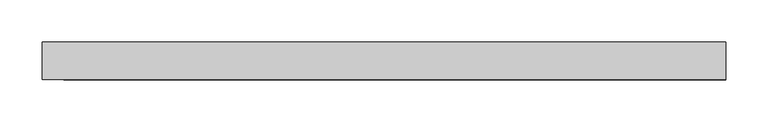
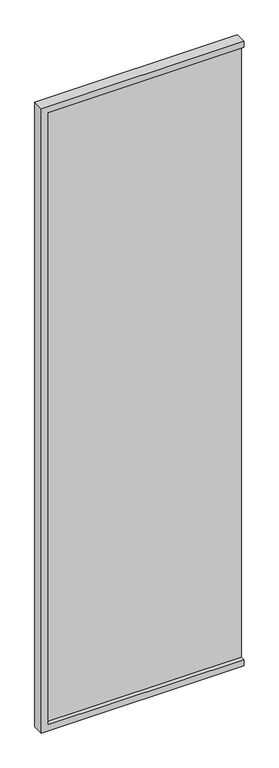
"""IFC4 building model written with IfcOpenShell, lengths in millimetres: plate geometry."""

from ifc_helpers import new_model, si_unit, frame, origin, place, context, project, spatial, polyline, outline, extrude, faceted_brep, source, transform, mapped, element, save


def plate_17708e49(model_context):
    return source(origin(), model_context, "Body", "SolidModel", [
        extrude(outline(polyline([(406.5, 4.0), (406.5, -4.0), (-390.5, -4.0), (-390.5, 4.0), (406.5, 4.0)])), frame((0.0, 0.0, 16.0), z_axis=(0.0, 0.0, 1.0), x_axis=(1.0, 0.0, 0.0)), (0.0, 0.0, 1.0), 2614.0),
        faceted_brep([(406.5, 22.5, 0.0), (406.5, 22.5, 26.0), (406.5, 4.0, 26.0), (406.5, 4.0, 16.0), (406.5, -4.0, 16.0), (406.5, -4.0, 26.0), (406.5, -22.5, 26.0), (406.5, -22.5, 0.0), (-406.5, 22.5, 0.0), (-406.5, 22.5, 2646.0), (406.5, 22.5, 2646.0), (406.5, 22.5, 2620.0), (-380.5, 22.5, 2620.0), (-380.5, 22.5, 26.0), (-380.5, 4.0, 26.0), (-380.5, 4.0, 2620.0), (406.5, 4.0, 2620.0), (406.5, 4.0, 2630.0), (-390.5, 4.0, 2630.0), (-390.5, 4.0, 16.0), (-390.5, -4.0, 16.0), (-390.5, -4.0, 2630.0), (406.5, -4.0, 2630.0), (406.5, -4.0, 2620.0), (-380.5, -4.0, 2620.0), (-380.5, -4.0, 26.0), (-380.5, -22.5, 26.0), (-380.5, -22.5, 2620.0), (406.5, -22.5, 2620.0), (406.5, -22.5, 2646.0), (-406.5, -22.5, 2646.0), (-406.5, -22.5, 0.0)], [[[0, 1, 2, 3, 4, 5, 6, 7]], [[1, 0, 8, 9, 10, 11, 12, 13]], [[2, 1, 13, 14]], [[3, 2, 14, 15, 16, 17, 18, 19]], [[4, 3, 19, 20]], [[5, 4, 20, 21, 22, 23, 24, 25]], [[6, 5, 25, 26]], [[7, 6, 26, 27, 28, 29, 30, 31]], [[0, 7, 31, 8]], [[14, 13, 12, 15]], [[20, 19, 18, 21]], [[26, 25, 24, 27]], [[8, 31, 30, 9]], [[10, 29, 28, 23, 22, 17, 16, 11]], [[15, 12, 11, 16]], [[21, 18, 17, 22]], [[27, 24, 23, 28]], [[9, 30, 29, 10]]]),
    ])


if __name__ == "__main__":
    model = new_model("IFC4")
    model_context = context("Model", 3, world=origin())
    ifc_project = project(units=[si_unit("LENGTHUNIT", "METRE", prefix="MILLI")], contexts=[model_context])
    site = spatial("IfcSite", under=ifc_project)
    building = spatial("IfcBuilding", under=site)
    placement = place(None, origin())
    plate_shape = plate_17708e49(model_context)
    element("IfcPlate", 1, at=placement, inside=building, context=model_context, shape_type="MappedRepresentation", body=[
        mapped(plate_shape, transform((0.0, 0.0, 0.0), x_axis=(1.0, 0.0, 0.0), y_axis=(0.0, 1.0, 0.0), z_axis=(0.0, 0.0, 1.0))),
    ])
    save(model, "model.ifc")
